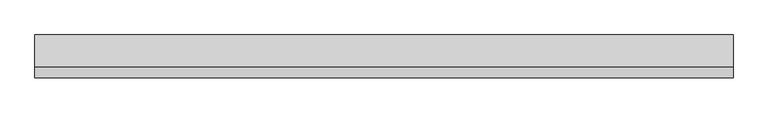
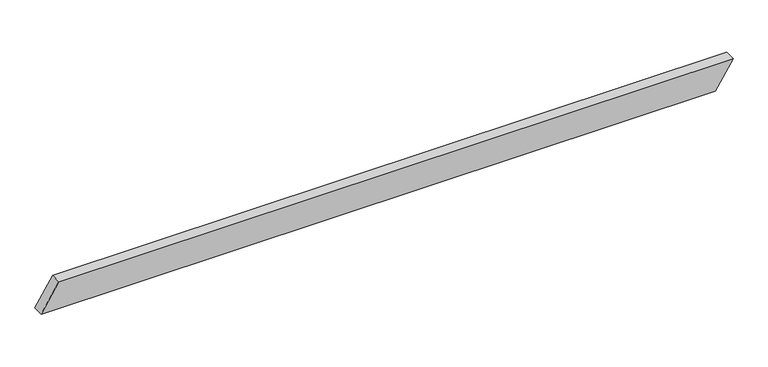
"""IFC4 building model written with IfcOpenShell, lengths in millimetres: beam geometry."""

from ifc_helpers import new_model, si_unit, frame, origin, place, context, project, spatial, polyline, outline, extrude, source, transform, mapped, element, save


def beam_3ae314c2(model_context):
    return source(origin(), model_context, "Body", "SweptSolid", [
        extrude(outline(polyline([(78.5196366, -100.0), (36.9504172, -100.0), (-78.5196366, 100.0), (-36.9504172, 100.0), (78.5196366, -100.0)])), frame((-1272.5, 0.0, 0.0), z_axis=(1.0, 0.0, 0.0), x_axis=(0.0, 1.0, 0.0)), (0.0, 0.0, 1.0), 2545.0),
    ])


if __name__ == "__main__":
    model = new_model("IFC4")
    model_context = context("Model", 3, world=origin())
    ifc_project = project(units=[si_unit("LENGTHUNIT", "METRE", prefix="MILLI")], contexts=[model_context])
    site = spatial("IfcSite", under=ifc_project)
    building = spatial("IfcBuilding", under=site)
    placement = place(None, origin())
    beam_shape = beam_3ae314c2(model_context)
    element("IfcBeam", 1, at=placement, inside=building, context=model_context, shape_type="MappedRepresentation", body=[
        mapped(beam_shape, transform((0.0, 0.0, 0.0), x_axis=(1.0, 0.0, 0.0), y_axis=(0.0, 1.0, 0.0), z_axis=(0.0, 0.0, 1.0))),
    ])
    save(model, "model.ifc")
